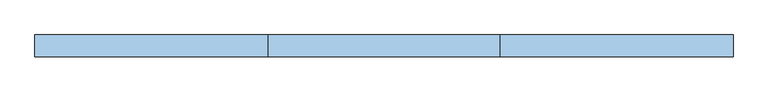
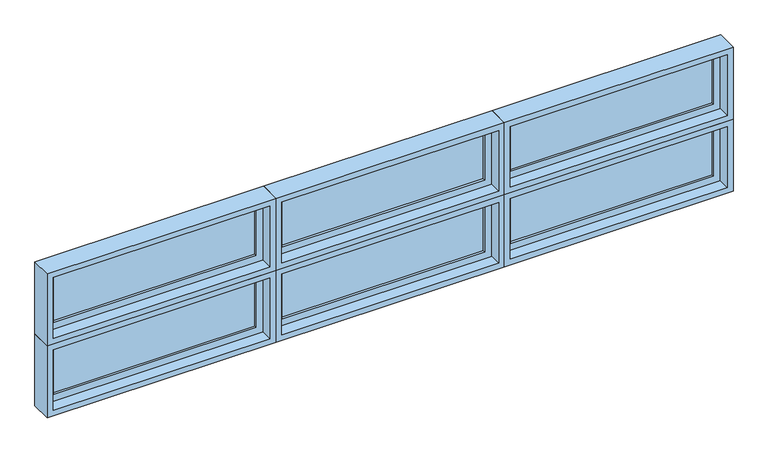
"""IFC4 building model written with IfcOpenShell, lengths in millimetres: window geometry."""

from ifc_helpers import new_model, si_unit, frame, origin, place, context, project, spatial, polyline, outline, extrude, faceted_brep, source, transform, mapped, element, save


def window_14301409(model_context):
    return source(origin(), model_context, "Body", "SolidModel", [
        faceted_brep([(-2310.9781766, 42.8625, 1739.9), (-2310.9781766, 93.6625, 1739.9), (-3504.7781766, 93.6625, 1739.9), (-3504.7781766, 42.8625, 1739.9), (-2330.0281766, -20.6375, 1758.95), (-2330.0281766, 42.8625, 1758.95), (-3485.7281766, 42.8625, 1758.95), (-3485.7281766, -20.6375, 1758.95), (-2298.2781766, 93.6625, 1727.2), (-2298.2781766, -20.6375, 1727.2), (-3517.4781766, -20.6375, 1727.2), (-3517.4781766, 93.6625, 1727.2), (-3504.7781766, 93.6625, 2120.9), (-3504.7781766, 42.8625, 2120.9), (-3485.7281766, 42.8625, 2101.85), (-3485.7281766, -20.6375, 2101.85), (-3517.4781766, -20.6375, 2133.6), (-3517.4781766, 93.6625, 2133.6), (-2310.9781766, 93.6625, 2120.9), (-2310.9781766, 42.8625, 2120.9), (-2330.0281766, 42.8625, 2101.85), (-2330.0281766, -20.6375, 2101.85), (-2298.2781766, -20.6375, 2133.6), (-2298.2781766, 93.6625, 2133.6)], [[[0, 1, 2, 3]], [[4, 5, 6, 7]], [[8, 9, 10, 11]], [[3, 2, 12, 13]], [[7, 6, 14, 15]], [[11, 10, 16, 17]], [[13, 12, 18, 19]], [[15, 14, 20, 21]], [[17, 16, 22, 23]], [[11, 17, 23, 8], [1, 18, 12, 2]], [[19, 18, 1, 0]], [[3, 13, 19, 0], [5, 20, 14, 6]], [[21, 20, 5, 4]], [[9, 22, 16, 10], [7, 15, 21, 4]], [[23, 22, 9, 8]]]),
        extrude(outline(polyline([(-2368.1281766, 74.6125), (-2368.1281766, 68.2625), (-3447.6281766, 68.2625), (-3447.6281766, 74.6125), (-2368.1281766, 74.6125)])), frame((0.0, 0.0, 1797.05), z_axis=(0.0, 0.0, 1.0), x_axis=(1.0, 0.0, 0.0)), (0.0, 0.0, 1.0), 266.7),
        extrude(outline(polyline([(-2368.1281766, 61.9125), (-2368.1281766, 55.5625), (-3447.6281766, 55.5625), (-3447.6281766, 61.9125), (-2368.1281766, 61.9125)])), frame((0.0, 0.0, 1797.05), z_axis=(0.0, 0.0, 1.0), x_axis=(1.0, 0.0, 0.0)), (0.0, 0.0, 1.0), 266.7),
        extrude(outline(polyline([(1739.9, -3504.7781766), (1739.9, -2310.9781766), (2120.9, -2310.9781766), (2120.9, -3504.7781766), (1739.9, -3504.7781766)]), holes=[polyline([(2063.75, -3447.6281766), (2063.75, -2368.1281766), (1797.05, -2368.1281766), (1797.05, -3447.6281766), (2063.75, -3447.6281766)])]), frame((0.0, 42.8625, 0.0), z_axis=(0.0, 1.0, 0.0), x_axis=(0.0, 0.0, 1.0)), (0.0, 0.0, 1.0), 44.45),
        faceted_brep([(-2310.9781766, 42.8625, 1333.5), (-2310.9781766, 93.6625, 1333.5), (-3504.7781766, 93.6625, 1333.5), (-3504.7781766, 42.8625, 1333.5), (-2330.0281766, -20.6375, 1352.55), (-2330.0281766, 42.8625, 1352.55), (-3485.7281766, 42.8625, 1352.55), (-3485.7281766, -20.6375, 1352.55), (-2298.2781766, 93.6625, 1320.8), (-2298.2781766, -20.6375, 1320.8), (-3517.4781766, -20.6375, 1320.8), (-3517.4781766, 93.6625, 1320.8), (-3504.7781766, 93.6625, 1714.5), (-3504.7781766, 42.8625, 1714.5), (-3485.7281766, 42.8625, 1695.45), (-3485.7281766, -20.6375, 1695.45), (-3517.4781766, -20.6375, 1727.2), (-3517.4781766, 93.6625, 1727.2), (-2310.9781766, 93.6625, 1714.5), (-2310.9781766, 42.8625, 1714.5), (-2330.0281766, 42.8625, 1695.45), (-2330.0281766, -20.6375, 1695.45), (-2298.2781766, -20.6375, 1727.2), (-2298.2781766, 93.6625, 1727.2)], [[[0, 1, 2, 3]], [[4, 5, 6, 7]], [[8, 9, 10, 11]], [[3, 2, 12, 13]], [[7, 6, 14, 15]], [[11, 10, 16, 17]], [[13, 12, 18, 19]], [[15, 14, 20, 21]], [[17, 16, 22, 23]], [[11, 17, 23, 8], [1, 18, 12, 2]], [[19, 18, 1, 0]], [[3, 13, 19, 0], [5, 20, 14, 6]], [[21, 20, 5, 4]], [[9, 22, 16, 10], [7, 15, 21, 4]], [[23, 22, 9, 8]]]),
        extrude(outline(polyline([(-2368.1281766, 74.6125), (-2368.1281766, 68.2625), (-3447.6281766, 68.2625), (-3447.6281766, 74.6125), (-2368.1281766, 74.6125)])), frame((0.0, 0.0, 1390.65), z_axis=(0.0, 0.0, 1.0), x_axis=(1.0, 0.0, 0.0)), (0.0, 0.0, 1.0), 266.7),
        extrude(outline(polyline([(-2368.1281766, 61.9125), (-2368.1281766, 55.5625), (-3447.6281766, 55.5625), (-3447.6281766, 61.9125), (-2368.1281766, 61.9125)])), frame((0.0, 0.0, 1390.65), z_axis=(0.0, 0.0, 1.0), x_axis=(1.0, 0.0, 0.0)), (0.0, 0.0, 1.0), 266.7),
        extrude(outline(polyline([(1333.5, -3504.7781766), (1333.5, -2310.9781766), (1714.5, -2310.9781766), (1714.5, -3504.7781766), (1333.5, -3504.7781766)]), holes=[polyline([(1657.35, -3447.6281766), (1657.35, -2368.1281766), (1390.65, -2368.1281766), (1390.65, -3447.6281766), (1657.35, -3447.6281766)])]), frame((0.0, 42.8625, 0.0), z_axis=(0.0, 1.0, 0.0), x_axis=(0.0, 0.0, 1.0)), (0.0, 0.0, 1.0), 44.45),
        faceted_brep([(127.4218234, 42.8625, 1739.9), (127.4218234, 93.6625, 1739.9), (-1066.3781766, 93.6625, 1739.9), (-1066.3781766, 42.8625, 1739.9), (108.3718234, -20.6375, 1758.95), (108.3718234, 42.8625, 1758.95), (-1047.3281766, 42.8625, 1758.95), (-1047.3281766, -20.6375, 1758.95), (140.1218234, 93.6625, 1727.2), (140.1218234, -20.6375, 1727.2), (-1079.0781766, -20.6375, 1727.2), (-1079.0781766, 93.6625, 1727.2), (-1066.3781766, 93.6625, 2120.9), (-1066.3781766, 42.8625, 2120.9), (-1047.3281766, 42.8625, 2101.85), (-1047.3281766, -20.6375, 2101.85), (-1079.0781766, -20.6375, 2133.6), (-1079.0781766, 93.6625, 2133.6), (127.4218234, 93.6625, 2120.9), (127.4218234, 42.8625, 2120.9), (108.3718234, 42.8625, 2101.85), (108.3718234, -20.6375, 2101.85), (140.1218234, -20.6375, 2133.6), (140.1218234, 93.6625, 2133.6)], [[[0, 1, 2, 3]], [[4, 5, 6, 7]], [[8, 9, 10, 11]], [[3, 2, 12, 13]], [[7, 6, 14, 15]], [[11, 10, 16, 17]], [[13, 12, 18, 19]], [[15, 14, 20, 21]], [[17, 16, 22, 23]], [[11, 17, 23, 8], [1, 18, 12, 2]], [[19, 18, 1, 0]], [[3, 13, 19, 0], [5, 20, 14, 6]], [[21, 20, 5, 4]], [[9, 22, 16, 10], [7, 15, 21, 4]], [[23, 22, 9, 8]]]),
        extrude(outline(polyline([(70.2718234, 74.6125), (70.2718234, 68.2625), (-1009.2281766, 68.2625), (-1009.2281766, 74.6125), (70.2718234, 74.6125)])), frame((0.0, 0.0, 1797.05), z_axis=(0.0, 0.0, 1.0), x_axis=(1.0, 0.0, 0.0)), (0.0, 0.0, 1.0), 266.7),
        extrude(outline(polyline([(70.2718234, 61.9125), (70.2718234, 55.5625), (-1009.2281766, 55.5625), (-1009.2281766, 61.9125), (70.2718234, 61.9125)])), frame((0.0, 0.0, 1797.05), z_axis=(0.0, 0.0, 1.0), x_axis=(1.0, 0.0, 0.0)), (0.0, 0.0, 1.0), 266.7),
        extrude(outline(polyline([(1739.9, -1066.3781766), (1739.9, 127.4218234), (2120.9, 127.4218234), (2120.9, -1066.3781766), (1739.9, -1066.3781766)]), holes=[polyline([(2063.75, -1009.2281766), (2063.75, 70.2718234), (1797.05, 70.2718234), (1797.05, -1009.2281766), (2063.75, -1009.2281766)])]), frame((0.0, 42.8625, 0.0), z_axis=(0.0, 1.0, 0.0), x_axis=(0.0, 0.0, 1.0)), (0.0, 0.0, 1.0), 44.45),
        faceted_brep([(127.4218234, 42.8625, 1333.5), (127.4218234, 93.6625, 1333.5), (-1066.3781766, 93.6625, 1333.5), (-1066.3781766, 42.8625, 1333.5), (108.3718234, -20.6375, 1352.55), (108.3718234, 42.8625, 1352.55), (-1047.3281766, 42.8625, 1352.55), (-1047.3281766, -20.6375, 1352.55), (140.1218234, 93.6625, 1320.8), (140.1218234, -20.6375, 1320.8), (-1079.0781766, -20.6375, 1320.8), (-1079.0781766, 93.6625, 1320.8), (-1066.3781766, 93.6625, 1714.5), (-1066.3781766, 42.8625, 1714.5), (-1047.3281766, 42.8625, 1695.45), (-1047.3281766, -20.6375, 1695.45), (-1079.0781766, -20.6375, 1727.2), (-1079.0781766, 93.6625, 1727.2), (127.4218234, 93.6625, 1714.5), (127.4218234, 42.8625, 1714.5), (108.3718234, 42.8625, 1695.45), (108.3718234, -20.6375, 1695.45), (140.1218234, -20.6375, 1727.2), (140.1218234, 93.6625, 1727.2)], [[[0, 1, 2, 3]], [[4, 5, 6, 7]], [[8, 9, 10, 11]], [[3, 2, 12, 13]], [[7, 6, 14, 15]], [[11, 10, 16, 17]], [[13, 12, 18, 19]], [[15, 14, 20, 21]], [[17, 16, 22, 23]], [[11, 17, 23, 8], [1, 18, 12, 2]], [[19, 18, 1, 0]], [[3, 13, 19, 0], [5, 20, 14, 6]], [[21, 20, 5, 4]], [[9, 22, 16, 10], [7, 15, 21, 4]], [[23, 22, 9, 8]]]),
        extrude(outline(polyline([(70.2718234, 74.6125), (70.2718234, 68.2625), (-1009.2281766, 68.2625), (-1009.2281766, 74.6125), (70.2718234, 74.6125)])), frame((0.0, 0.0, 1390.65), z_axis=(0.0, 0.0, 1.0), x_axis=(1.0, 0.0, 0.0)), (0.0, 0.0, 1.0), 266.7),
        extrude(outline(polyline([(70.2718234, 61.9125), (70.2718234, 55.5625), (-1009.2281766, 55.5625), (-1009.2281766, 61.9125), (70.2718234, 61.9125)])), frame((0.0, 0.0, 1390.65), z_axis=(0.0, 0.0, 1.0), x_axis=(1.0, 0.0, 0.0)), (0.0, 0.0, 1.0), 266.7),
        extrude(outline(polyline([(1333.5, -1066.3781766), (1333.5, 127.4218234), (1714.5, 127.4218234), (1714.5, -1066.3781766), (1333.5, -1066.3781766)]), holes=[polyline([(1657.35, -1009.2281766), (1657.35, 70.2718234), (1390.65, 70.2718234), (1390.65, -1009.2281766), (1657.35, -1009.2281766)])]), frame((0.0, 42.8625, 0.0), z_axis=(0.0, 1.0, 0.0), x_axis=(0.0, 0.0, 1.0)), (0.0, 0.0, 1.0), 44.45),
        faceted_brep([(-2285.5781766, 42.8625, 1739.9), (-1091.7781766, 42.8625, 1739.9), (-1091.7781766, 93.6625, 1739.9), (-2285.5781766, 93.6625, 1739.9), (-2266.5281766, -20.6375, 1758.95), (-1110.8281766, -20.6375, 1758.95), (-1110.8281766, 42.8625, 1758.95), (-2266.5281766, 42.8625, 1758.95), (-2298.2781766, 93.6625, 1727.2), (-1079.0781766, 93.6625, 1727.2), (-1079.0781766, -20.6375, 1727.2), (-2298.2781766, -20.6375, 1727.2), (-1091.7781766, 42.8625, 2120.9), (-1091.7781766, 93.6625, 2120.9), (-1110.8281766, -20.6375, 2101.85), (-1110.8281766, 42.8625, 2101.85), (-1079.0781766, 93.6625, 2133.6), (-1079.0781766, -20.6375, 2133.6), (-2285.5781766, 42.8625, 2120.9), (-2285.5781766, 93.6625, 2120.9), (-2266.5281766, -20.6375, 2101.85), (-2266.5281766, 42.8625, 2101.85), (-2298.2781766, 93.6625, 2133.6), (-2298.2781766, -20.6375, 2133.6)], [[[0, 1, 2, 3]], [[4, 5, 6, 7]], [[8, 9, 10, 11]], [[1, 12, 13, 2]], [[5, 14, 15, 6]], [[9, 16, 17, 10]], [[12, 18, 19, 13]], [[14, 20, 21, 15]], [[16, 22, 23, 17]], [[9, 8, 22, 16], [3, 2, 13, 19]], [[18, 0, 3, 19]], [[1, 0, 18, 12], [7, 6, 15, 21]], [[20, 4, 7, 21]], [[11, 10, 17, 23], [5, 4, 20, 14]], [[22, 8, 11, 23]]]),
        extrude(outline(polyline([(-2228.4281766, 74.6125), (-1148.9281766, 74.6125), (-1148.9281766, 68.2625), (-2228.4281766, 68.2625), (-2228.4281766, 74.6125)])), frame((0.0, 0.0, 1797.05), z_axis=(0.0, 0.0, 1.0), x_axis=(1.0, 0.0, 0.0)), (0.0, 0.0, 1.0), 266.7),
        extrude(outline(polyline([(-2228.4281766, 61.9125), (-1148.9281766, 61.9125), (-1148.9281766, 55.5625), (-2228.4281766, 55.5625), (-2228.4281766, 61.9125)])), frame((0.0, 0.0, 1797.05), z_axis=(0.0, 0.0, 1.0), x_axis=(1.0, 0.0, 0.0)), (0.0, 0.0, 1.0), 266.7),
        extrude(outline(polyline([(1739.9, -1091.7781766), (2120.9, -1091.7781766), (2120.9, -2285.5781766), (1739.9, -2285.5781766), (1739.9, -1091.7781766)]), holes=[polyline([(2063.75, -1148.9281766), (1797.05, -1148.9281766), (1797.05, -2228.4281766), (2063.75, -2228.4281766), (2063.75, -1148.9281766)])]), frame((0.0, 42.8625, 0.0), z_axis=(0.0, 1.0, 0.0), x_axis=(0.0, 0.0, 1.0)), (0.0, 0.0, 1.0), 44.45),
        faceted_brep([(-2285.5781766, 42.8625, 1333.5), (-1091.7781766, 42.8625, 1333.5), (-1091.7781766, 93.6625, 1333.5), (-2285.5781766, 93.6625, 1333.5), (-2266.5281766, -20.6375, 1352.55), (-1110.8281766, -20.6375, 1352.55), (-1110.8281766, 42.8625, 1352.55), (-2266.5281766, 42.8625, 1352.55), (-2298.2781766, 93.6625, 1320.8), (-1079.0781766, 93.6625, 1320.8), (-1079.0781766, -20.6375, 1320.8), (-2298.2781766, -20.6375, 1320.8), (-1091.7781766, 42.8625, 1714.5), (-1091.7781766, 93.6625, 1714.5), (-1110.8281766, -20.6375, 1695.45), (-1110.8281766, 42.8625, 1695.45), (-1079.0781766, 93.6625, 1727.2), (-1079.0781766, -20.6375, 1727.2), (-2285.5781766, 42.8625, 1714.5), (-2285.5781766, 93.6625, 1714.5), (-2266.5281766, -20.6375, 1695.45), (-2266.5281766, 42.8625, 1695.45), (-2298.2781766, 93.6625, 1727.2), (-2298.2781766, -20.6375, 1727.2)], [[[0, 1, 2, 3]], [[4, 5, 6, 7]], [[8, 9, 10, 11]], [[1, 12, 13, 2]], [[5, 14, 15, 6]], [[9, 16, 17, 10]], [[12, 18, 19, 13]], [[14, 20, 21, 15]], [[16, 22, 23, 17]], [[9, 8, 22, 16], [3, 2, 13, 19]], [[18, 0, 3, 19]], [[1, 0, 18, 12], [7, 6, 15, 21]], [[20, 4, 7, 21]], [[11, 10, 17, 23], [5, 4, 20, 14]], [[22, 8, 11, 23]]]),
        extrude(outline(polyline([(-2228.4281766, 74.6125), (-1148.9281766, 74.6125), (-1148.9281766, 68.2625), (-2228.4281766, 68.2625), (-2228.4281766, 74.6125)])), frame((0.0, 0.0, 1390.65), z_axis=(0.0, 0.0, 1.0), x_axis=(1.0, 0.0, 0.0)), (0.0, 0.0, 1.0), 266.7),
        extrude(outline(polyline([(-2228.4281766, 61.9125), (-1148.9281766, 61.9125), (-1148.9281766, 55.5625), (-2228.4281766, 55.5625), (-2228.4281766, 61.9125)])), frame((0.0, 0.0, 1390.65), z_axis=(0.0, 0.0, 1.0), x_axis=(1.0, 0.0, 0.0)), (0.0, 0.0, 1.0), 266.7),
        extrude(outline(polyline([(1333.5, -1091.7781766), (1714.5, -1091.7781766), (1714.5, -2285.5781766), (1333.5, -2285.5781766), (1333.5, -1091.7781766)]), holes=[polyline([(1657.35, -1148.9281766), (1390.65, -1148.9281766), (1390.65, -2228.4281766), (1657.35, -2228.4281766), (1657.35, -1148.9281766)])]), frame((0.0, 42.8625, 0.0), z_axis=(0.0, 1.0, 0.0), x_axis=(0.0, 0.0, 1.0)), (0.0, 0.0, 1.0), 44.45),
    ])


if __name__ == "__main__":
    model = new_model("IFC4")
    model_context = context("Model", 3, world=origin())
    ifc_project = project(units=[si_unit("LENGTHUNIT", "METRE", prefix="MILLI")], contexts=[model_context])
    site = spatial("IfcSite", under=ifc_project)
    building = spatial("IfcBuilding", under=site)
    placement = place(None, origin())
    window_shape = window_14301409(model_context)
    element("IfcWindow", 1, at=placement, inside=building, context=model_context, shape_type="MappedRepresentation", body=[
        mapped(window_shape, transform((0.0, 0.0, 0.0), x_axis=(1.0, 0.0, 0.0), y_axis=(0.0, 1.0, 0.0), z_axis=(0.0, 0.0, 1.0))),
    ])
    save(model, "model.ifc")
